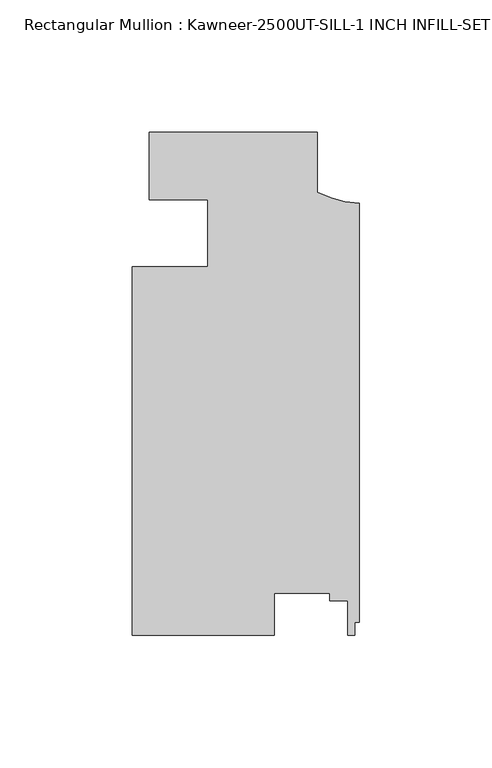
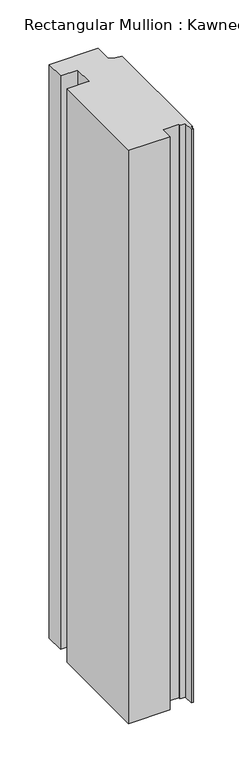
"""IFC4 building model written with IfcOpenShell, lengths in millimetres: member geometry, Rectangular Mullion : Kawneer-2500UT-SILL-1 INCH INFILL-SET 6."""

import ifcopenshell
import ifcopenshell.guid

model = None  # the IFC model being written
_history = None  # IfcOwnerHistory: only IFC2X3 demands one
_inside = {}  # id of a spatial element -> (the spatial element, [elements in it])
_under = {}  # id of a project, library or spatial element -> (it, [spatial elements below it])
_declared = {}  # id of a project -> (the project, [libraries it declares])
_typed = {}  # id of a type object -> (the type object, [elements of that type])
_made_of = {}  # id of a material, layer set ... -> (it, [elements and type objects made of it])


def new_model(schema):
    """Start an empty IFC model of exactly this schema.

    Asked for "IFC4X3", IfcOpenShell would pick the latest addendum, in which some entities
    have other attributes; the version numbers below select the first issue.
    IFC2X3 requires an IfcOwnerHistory on every rooted entity: one is made here for all.
    """
    global model, _history
    if schema == "IFC4X3":
        model = ifcopenshell.file(schema_version=(4, 3, 0, 0))
    else:
        model = ifcopenshell.file(schema=schema)
    _inside.clear()
    _under.clear()
    _declared.clear()
    _typed.clear()
    _made_of.clear()
    _history = None
    if model.schema == "IFC2X3":
        org = make("IfcOrganization", Name="unknown")
        user = make(
            "IfcPersonAndOrganization",
            ThePerson=make("IfcPerson", FamilyName="unknown"),
            TheOrganization=org,
        )
        app = make(
            "IfcApplication",
            ApplicationDeveloper=org,
            Version="unknown",
            ApplicationFullName="unknown",
            ApplicationIdentifier="unknown",
        )
        _history = make(
            "IfcOwnerHistory",
            OwningUser=user,
            OwningApplication=app,
            ChangeAction="ADDED",
            CreationDate=0,
        )
    return model


def make(cls, **values):
    """One entity of the class cls with the attributes given. An attribute that is None is left unset."""
    return model.create_entity(
        cls, **{name: value for name, value in values.items() if value is not None}
    )


def rooted(cls, **values):
    """An entity with a GlobalId (a new one), such as an element, a storey or a relation."""
    return make(cls, GlobalId=ifcopenshell.guid.new(), OwnerHistory=_history, **values)


def si_unit(unit_type, name, prefix=None):
    """IfcSIUnit, for example si_unit("LENGTHUNIT", "METRE", prefix="MILLI")."""
    return make("IfcSIUnit", UnitType=unit_type, Prefix=prefix, Name=name)


def assignment(units):
    """IfcUnitAssignment: the units of a project."""
    return None if units is None else make("IfcUnitAssignment", Units=units)


def point(xyz):
    """IfcCartesianPoint."""
    return None if xyz is None else make("IfcCartesianPoint", Coordinates=xyz)


def direction(xyz):
    """IfcDirection."""
    return None if xyz is None else make("IfcDirection", DirectionRatios=xyz)


def frame(location, z_axis=None, x_axis=None):
    """IfcAxis2Placement3D, a coordinate frame: its origin and axes. An axis left out is left unset."""
    return make(
        "IfcAxis2Placement3D",
        Location=point(location),
        Axis=direction(z_axis),
        RefDirection=direction(x_axis),
    )


def frame_2d(location, x_axis=None):
    """IfcAxis2Placement2D, a coordinate frame in the plane: its origin and x axis."""
    return make(
        "IfcAxis2Placement2D", Location=point(location), RefDirection=direction(x_axis)
    )


def origin():
    """The frame at (0, 0, 0) with its axes left unset."""
    return frame((0.0, 0.0, 0.0))


def place(relative_to, where):
    """IfcLocalPlacement: puts the frame where relative to a parent placement (None: the world)."""
    return make(
        "IfcLocalPlacement", PlacementRelTo=relative_to, RelativePlacement=where
    )


def context(
    kind, dimensions, precision=None, world=None, true_north=None, identifier=None
):
    """IfcGeometricRepresentationContext, for example the 3D "Model" context."""
    return make(
        "IfcGeometricRepresentationContext",
        ContextIdentifier=identifier,
        ContextType=kind,
        CoordinateSpaceDimension=dimensions,
        Precision=precision,
        WorldCoordinateSystem=world,
        TrueNorth=true_north,
    )


def project(units=None, contexts=None):
    """IfcProject with its units and contexts."""
    return rooted(
        "IfcProject",
        Name="project",
        RepresentationContexts=contexts,
        UnitsInContext=assignment(units),
    )


def spatial(cls, under=None, at=None, **own):
    """A site, building, storey or space (cls), placed at a placement, below another one or the project."""
    s = rooted(cls, ObjectPlacement=at, **own)
    if under is not None:
        _under.setdefault(under.id(), (under, []))[1].append(s)
    return s


def polyline(points):
    """IfcPolyline through the points."""
    return make("IfcPolyline", Points=[point(p) for p in points])


def circle_curve(where, radius):
    """IfcCircle in the frame where."""
    return make("IfcCircle", Position=where, Radius=radius)


def trimmed(basis, trim1, trim2, sense, master):
    """IfcTrimmedCurve: the piece of a basis curve between two trims."""
    return make(
        "IfcTrimmedCurve",
        BasisCurve=basis,
        Trim1=trim1,
        Trim2=trim2,
        SenseAgreement=sense,
        MasterRepresentation=master,
    )


def segment(curve, same_sense, transition):
    """IfcCompositeCurveSegment."""
    return make(
        "IfcCompositeCurveSegment",
        Transition=transition,
        SameSense=same_sense,
        ParentCurve=curve,
    )


def composite_curve(segments, self_intersect=None):
    """IfcCompositeCurve: segments joined end to end."""
    return make("IfcCompositeCurve", Segments=segments, SelfIntersect=self_intersect)


def outline(outer, holes=None, kind="AREA"):
    """IfcArbitraryClosedProfileDef: a profile drawn as a closed curve; with holes, ...WithVoids."""
    if holes is None:
        return make("IfcArbitraryClosedProfileDef", ProfileType=kind, OuterCurve=outer)
    return make(
        "IfcArbitraryProfileDefWithVoids",
        ProfileType=kind,
        OuterCurve=outer,
        InnerCurves=holes,
    )


def extrude(swept, where, along, depth):
    """IfcExtrudedAreaSolid: the profile swept, set in the frame where, extruded along a direction by depth."""
    return make(
        "IfcExtrudedAreaSolid",
        SweptArea=swept,
        Position=where,
        ExtrudedDirection=direction(along),
        Depth=depth,
    )


def shape(context_of_items, identifier, shape_type, items):
    """IfcShapeRepresentation: the items that make up one representation, for example the "Body"."""
    return make(
        "IfcShapeRepresentation",
        ContextOfItems=context_of_items,
        RepresentationIdentifier=identifier,
        RepresentationType=shape_type,
        Items=items,
    )


def source(mapping_origin, context_of_items, identifier, shape_type, items):
    """IfcRepresentationMap: a shape defined once, which mapped items show again and again."""
    return make(
        "IfcRepresentationMap",
        MappingOrigin=mapping_origin,
        MappedRepresentation=shape(context_of_items, identifier, shape_type, items),
    )


def transform(
    local_origin,
    x_axis=None,
    y_axis=None,
    z_axis=None,
    scale=None,
    scale2=None,
    scale3=None,
    uniform=True,
):
    """IfcCartesianTransformationOperator3D, or its non-uniform kind. x_axis, y_axis, z_axis: its Axis1, 2, 3."""
    if uniform:
        return make(
            "IfcCartesianTransformationOperator3D",
            Axis1=direction(x_axis),
            Axis2=direction(y_axis),
            LocalOrigin=point(local_origin),
            Scale=scale,
            Axis3=direction(z_axis),
        )
    return make(
        "IfcCartesianTransformationOperator3DnonUniform",
        Axis1=direction(x_axis),
        Axis2=direction(y_axis),
        LocalOrigin=point(local_origin),
        Scale=scale,
        Axis3=direction(z_axis),
        Scale2=scale2,
        Scale3=scale3,
    )


def mapped(mapping_source, mapping_target):
    """IfcMappedItem: shows the shape of a source again, moved by a transform."""
    return make(
        "IfcMappedItem", MappingSource=mapping_source, MappingTarget=mapping_target
    )


def made_of(thing, what):
    """Note that an element or type object is made of a material, layer set ...; save() writes the relation."""
    if what is not None:
        _made_of.setdefault(what.id(), (what, []))[1].append(thing)
    return thing


def element(
    cls,
    number,
    at=None,
    inside=None,
    cuts=None,
    type_object=None,
    material=None,
    context=None,
    identifier="Body",
    shape_type=None,
    held_by="IfcProductDefinitionShape",
    body=None,
    shapes=None,
    **own,
):
    """One element of the class cls, such as IfcWall. Its Tag is "e" and its number.

    at: its placement. inside: the storey or other place that contains it. cuts: it is an
    opening in that element (IfcRelVoidsElement). A single representation is given by context,
    identifier, shape_type and body (its items); several are given by shapes. held_by: the class
    of the entity that holds the representations. save() writes the other relations.
    """
    e = rooted(cls, Tag="e%d" % number, ObjectPlacement=at, **own)
    if body is not None:
        shapes = [shape(context, identifier, shape_type, body)]
    if shapes is not None:
        e.Representation = make(held_by, Representations=shapes)
    if inside is not None:
        _inside.setdefault(inside.id(), (inside, []))[1].append(e)
    if cuts is not None:
        rooted(
            "IfcRelVoidsElement", RelatingBuildingElement=cuts, RelatedOpeningElement=e
        )
    if type_object is not None:
        _typed.setdefault(type_object.id(), (type_object, []))[1].append(e)
    return made_of(e, material)


def aggregate(whole, parts):
    """IfcRelAggregates: a whole, such as a stair, and the parts it consists of."""
    return rooted("IfcRelAggregates", RelatingObject=whole, RelatedObjects=parts)


def save(model, path):
    """Write the relations noted so far, then the file.

    IfcRelAggregates (storeys below a building ...), IfcRelContainedInSpatialStructure (elements
    in a storey), IfcRelDefinesByType, IfcRelAssociatesMaterial and IfcRelDeclares: one each for
    every whole, place, type object, material and project.
    """
    for whole, parts in _under.values():
        aggregate(whole, parts)
    for where, things in _inside.values():
        rooted(
            "IfcRelContainedInSpatialStructure",
            RelatedElements=things,
            RelatingStructure=where,
        )
    for kind, things in _typed.values():
        rooted("IfcRelDefinesByType", RelatedObjects=things, RelatingType=kind)
    for what, things in _made_of.values():
        rooted("IfcRelAssociatesMaterial", RelatedObjects=things, RelatingMaterial=what)
    for by, libraries in _declared.values():
        rooted("IfcRelDeclares", RelatingContext=by, RelatedDefinitions=libraries)
    model.write(path)


def rectangular_mullion_kawneer_2500ut_sill_1_inch_infill_set_6_5eca9914(model_context):
    return source(origin(), model_context, "Body", "SweptSolid", [
        extrude(outline(composite_curve([segment(polyline([(-79.375, -0.1984375), (-15.859125, -0.1984375), (-15.859125, -22.7601346)]), True, "CONTINUOUS"), segment(trimmed(circle_curve(frame_2d((2.0735887, 12.36649)), 39.4393455), [point((-15.859125, -22.7601346))], [point((0.0, -27.0183066))], True, "CARTESIAN"), True, "CONTINUOUS"), segment(polyline([(0.0, -27.0183066), (0.0, -185.3102079), (-1.7653015, -185.3102079), (-1.7653015, -190.2063125), (-4.3053014, -190.2063125), (-4.3053014, -177.1625133), (-11.1633011, -177.1625133), (-11.1633011, -174.307908), (-32.1099503, -174.307908), (-32.1099503, -190.2063125), (-85.725, -190.2063125), (-85.725, -51.014765), (-57.15, -51.0141832), (-57.15, -25.9319452)]), True, "CONTINUOUS"), segment(trimmed(circle_curve(frame_2d((-75.0742482, -486.6221322)), 461.0387479), [point((-57.15, -25.9319452))], [point((-79.375, -25.6034443))], True, "CARTESIAN"), True, "CONTINUOUS"), segment(polyline([(-79.375, -25.6034443), (-79.375, -0.1984375)]), True, "CONTINUOUS")], self_intersect=False)), frame((0.0, 0.0, -787.3997736), z_axis=(0.0, 0.0, 1.0), x_axis=(1.0, 0.0, 0.0)), (0.0, 0.0, 1.0), 787.3997736),
    ])


if __name__ == "__main__":
    model = new_model("IFC4")
    model_context = context("Model", 3, world=origin())
    ifc_project = project(units=[si_unit("LENGTHUNIT", "METRE", prefix="MILLI")], contexts=[model_context])
    site = spatial("IfcSite", under=ifc_project)
    building = spatial("IfcBuilding", under=site)
    placement = place(None, origin())
    rectangular_mullion_kawneer_2500ut_sill_1_inch_infill_set_6_shape = rectangular_mullion_kawneer_2500ut_sill_1_inch_infill_set_6_5eca9914(model_context)
    element("IfcMember", 1, ObjectType="Rectangular Mullion : Kawneer-2500UT-SILL-1 INCH INFILL-SET 6", at=placement, inside=building, context=model_context, shape_type="MappedRepresentation", body=[
        mapped(rectangular_mullion_kawneer_2500ut_sill_1_inch_infill_set_6_shape, transform((0.0, 0.0, 0.0), x_axis=(1.0, 0.0, 0.0), y_axis=(0.0, 1.0, 0.0), z_axis=(0.0, 0.0, 1.0))),
    ])
    save(model, "model.ifc")
